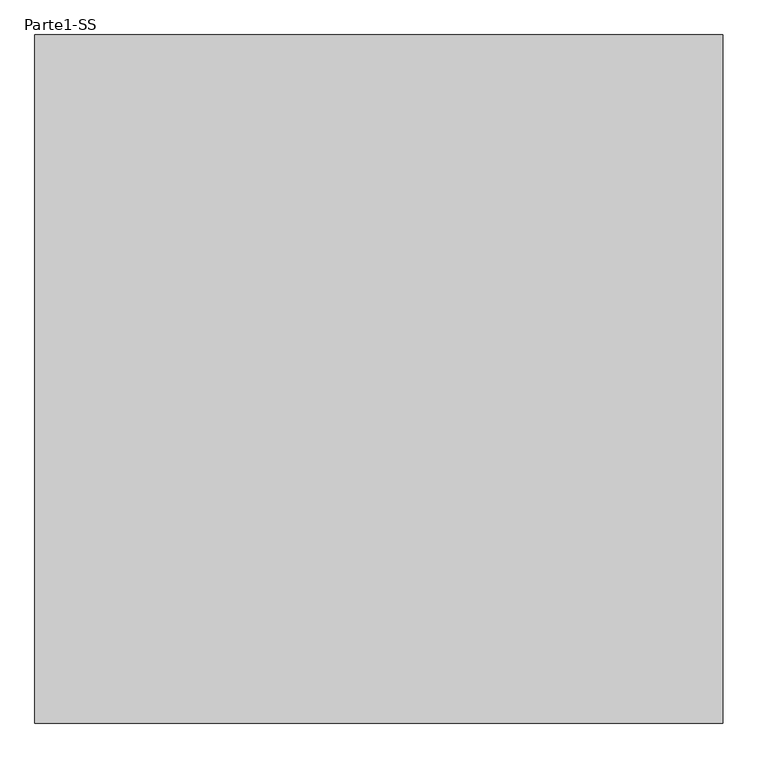
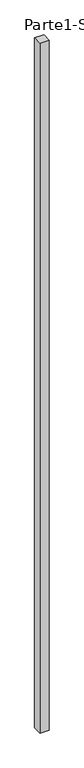
"""IFC4 building model written with IfcOpenShell, lengths in millimetres: proxy geometry, Parte1-SS."""

from ifc_helpers import new_model, si_unit, frame, origin, place, context, project, spatial, polyline, outline, extrude, source, transform, mapped, element, save


def parte1_ss_9b225a57(model_context):
    return source(origin(), model_context, "Body", "SweptSolid", [
        extrude(outline(polyline([(2000.0, 2000.0), (2000.0, 0.0), (0.0, 0.0), (0.0, 2000.0), (2000.0, 2000.0)])), frame((0.0, 0.0, 25000.0), z_axis=(0.0, 0.0, 1.0), x_axis=(1.0, 0.0, 0.0)), (0.0, 0.0, 1.0), 160000.0),
    ])


if __name__ == "__main__":
    model = new_model("IFC4")
    model_context = context("Model", 3, world=origin())
    ifc_project = project(units=[si_unit("LENGTHUNIT", "METRE", prefix="MILLI")], contexts=[model_context])
    site = spatial("IfcSite", under=ifc_project)
    building = spatial("IfcBuilding", under=site)
    placement = place(None, origin())
    parte1_ss_shape = parte1_ss_9b225a57(model_context)
    element("IfcBuildingElementProxy", 1, Name="Parte1-SS", ObjectType="Parte1-SS", at=placement, inside=building, context=model_context, shape_type="MappedRepresentation", body=[
        mapped(parte1_ss_shape, transform((0.0, 0.0, 0.0), x_axis=(1.0, 0.0, 0.0), y_axis=(0.0, 1.0, 0.0), z_axis=(0.0, 0.0, 1.0))),
    ])
    save(model, "model.ifc")
